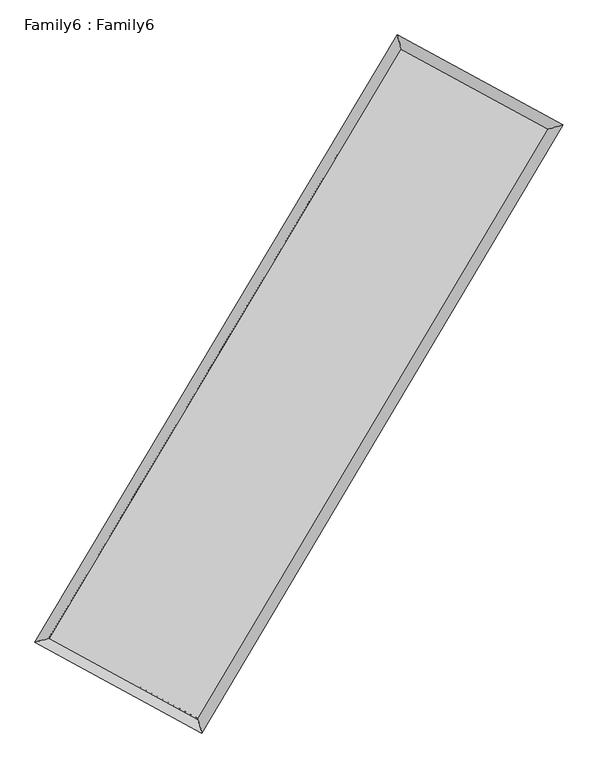
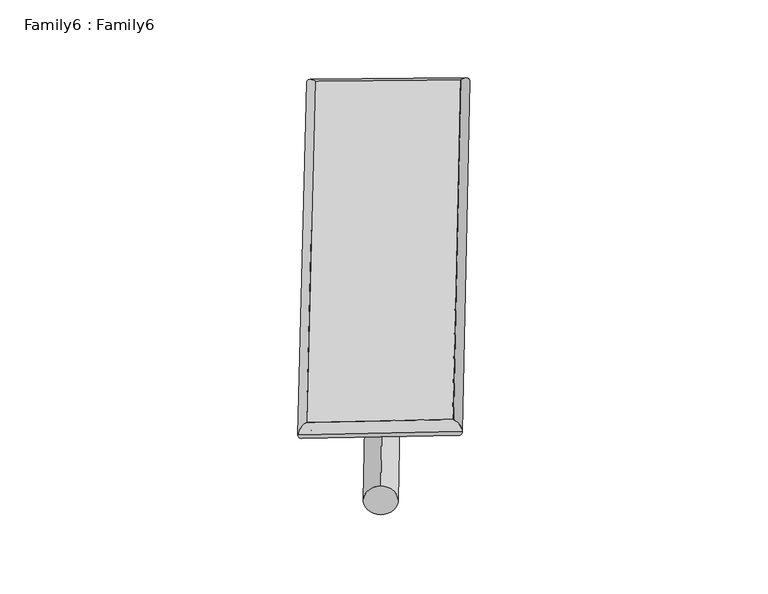
"""IFC4 building model written with IfcOpenShell, lengths in millimetres: plate geometry, Family6 : Family6."""

from ifc_helpers import new_model, si_unit, point, frame, origin, origin_2d, place, context, project, spatial, circle_curve, ellipse_curve, trimmed, segment, composite_curve, outline, extrude, source, transform, mapped, element, save
from ifc_brep_helpers import plane_surface, cylinder_surface, spline_surface, advanced_brep


def family6_family6_7e3fb4be(model_context):
    return source(origin(), model_context, "Body", "SolidModel", [
        extrude(outline(composite_curve([segment(trimmed(circle_curve(origin_2d(), 76.2), [point((-75.4341514, -10.7763074))], [point((75.4341514, 10.7763074))], False, "CARTESIAN"), True, "CONTINUOUS"), segment(trimmed(circle_curve(origin_2d(), 76.2), [point((75.4341514, 10.7763074))], [point((-75.4341514, -10.7763074))], False, "CARTESIAN"), True, "CONTINUOUS")], self_intersect=False)), frame((9144.0, 9144.0, 0.0), z_axis=(0.6736694627600023, 0.6879912781626699, 0.26988415314120584), x_axis=(-0.6797023972737887, 0.7201583127949058, -0.13920005622362128)), (0.0, 0.0, 1.0), 5609.3477952),
        extrude(outline(composite_curve([segment(trimmed(circle_curve(origin_2d(), 76.2), [point((-53.8815368, 53.8815367))], [point((53.8815368, -53.8815367))], False, "CARTESIAN"), True, "CONTINUOUS"), segment(trimmed(circle_curve(origin_2d(), 76.2), [point((53.8815368, -53.8815367))], [point((-53.8815368, 53.8815367))], False, "CARTESIAN"), True, "CONTINUOUS")], self_intersect=False)), frame((9144.0, 9144.0, 0.0), z_axis=(-0.6750712949509815, -0.6866390358278885, 0.26982509373768915), x_axis=(0.6389389928110121, -0.3613000602347069, 0.6791312317513064)), (0.0, 0.0, 1.0), 5611.036158),
        extrude(outline(composite_curve([segment(trimmed(circle_curve(origin_2d(), 76.2), [point((-53.8815367, -53.8815367))], [point((53.8815367, 53.8815367))], False, "CARTESIAN"), True, "CONTINUOUS"), segment(trimmed(circle_curve(origin_2d(), 76.2), [point((53.8815367, 53.8815367))], [point((-53.8815367, -53.8815367))], False, "CARTESIAN"), True, "CONTINUOUS")], self_intersect=False)), frame((9144.0, 9144.0, 0.0), z_axis=(0.27878709577586946, 0.9194615734995778, 0.27725109573550266), x_axis=(-0.8395250139611979, 0.3735239666339063, -0.3945600046678869)), (0.0, 0.0, 1.0), 5521.5456478),
        extrude(outline(composite_curve([segment(trimmed(circle_curve(origin_2d(), 76.2), [point((-75.4341515, 10.7763073))], [point((75.4341515, -10.7763073))], False, "CARTESIAN"), True, "CONTINUOUS"), segment(trimmed(circle_curve(origin_2d(), 76.2), [point((75.4341515, -10.7763073))], [point((-75.4341515, 10.7763073))], False, "CARTESIAN"), True, "CONTINUOUS")], self_intersect=False)), frame((9144.0, 9144.0, 0.0), z_axis=(-0.27686291826319176, -0.9200690902496798, 0.27716383901569136), x_axis=(0.8773897056016425, -0.12443620339803999, 0.4633604814700374)), (0.0, 0.0, 1.0), 5523.3521467),
        advanced_brep(
        [(5144.0595851, 5233.1766451, 1515.3432724), (5568.2518077, 5349.3244942, 1515.693826), (5568.2415245, 5349.3104399, 1512.6534422), (10739.1833905, 14017.0157886, 1529.0152826), (10627.4879602, 14424.6823104, 1532.6938794), (5144.049302, 5233.1625908, 1512.3028886), (12711.0092653, 12944.8946548, 1514.0644305), (13134.6833659, 13061.4700637, 1513.6837283), (7558.6844669, 4266.1677896, 1530.5650913), (7670.8927453, 3858.101041, 1531.1818791)],
        [
            (0, 1, ellipse_curve(frame((5356.1505548, 5291.2435425, 1513.9983573), z_axis=(-0.2640843722196026, 0.9644929929439877, -0.003565236503697351), x_axis=(-0.9644782445274515, -0.26410131364138795, -0.005675558663134362)), 219.9168698, 152.4)),
            (1, 2, ellipse_curve(frame((5356.1505548, 5291.2435425, 1513.9983573), z_axis=(-0.2640843722196026, 0.9644929929439877, -0.003565236503697351), x_axis=(-0.9644782445274515, -0.26410131364138795, -0.005675558663134362)), 219.9168698, 152.4)),
            (2, 3),
            (3, 4, ellipse_curve(frame((10683.3356754, 14220.8490495, 1530.854581), z_axis=(-0.9644407586192446, -0.26427600954643216, 0.0034948379290405183), x_axis=(0.26425275782181007, -0.9644349424515523, -0.005976768528135645)), 211.3543352, 152.4)),
            (4, 0),
            (2, 5, ellipse_curve(frame((5356.1505548, 5291.2435425, 1513.9983573), z_axis=(-0.2640843722196026, 0.9644929929439877, -0.003565236503697351), x_axis=(-0.9644782445274515, -0.26410131364138795, -0.005675558663134362)), 219.9168698, 152.4)),
            (5, 0, ellipse_curve(frame((5356.1505548, 5291.2435425, 1513.9983573), z_axis=(-0.2640843722196026, 0.9644929929439877, -0.003565236503697351), x_axis=(-0.9644782445274515, -0.26410131364138795, -0.005675558663134362)), 219.9168698, 152.4)),
            (4, 3, ellipse_curve(frame((10683.3356754, 14220.8490495, 1530.854581), z_axis=(-0.9644407586192446, -0.26427600954643216, 0.0034948379290405183), x_axis=(0.26425275782181007, -0.9644349424515523, -0.005976768528135645)), 211.3543352, 152.4)),
            (3, 6),
            (6, 7, ellipse_curve(frame((12922.8463156, 13003.1823593, 1513.8740794), z_axis=(-0.26528930095597725, 0.9641620505647073, 0.003623126984808195), x_axis=(-0.9641468576555808, -0.26530675982527346, 0.005758477566493128)), 219.7127091, 152.4)),
            (7, 4),
            (7, 6, ellipse_curve(frame((12922.8463156, 13003.1823593, 1513.8740794), z_axis=(-0.26528930095597725, 0.9641620505647073, 0.003623126984808195), x_axis=(-0.9641468576555808, -0.26530675982527346, 0.005758477566493128)), 219.7127091, 152.4)),
            (6, 8),
            (8, 9, ellipse_curve(frame((7614.7886061, 4062.1344153, 1530.8734852), z_axis=(0.9642045163316129, 0.2651376010810861, 0.003420990892680454), x_axis=(-0.2651150381037152, 0.9641986902181862, -0.0059078213243097194)), 211.6086255, 152.4)),
            (9, 7),
            (9, 8, ellipse_curve(frame((7614.7886061, 4062.1344153, 1530.8734852), z_axis=(0.9642045163316129, 0.2651376010810861, 0.003420990892680454), x_axis=(-0.2651150381037152, 0.9641986902181862, -0.0059078213243097194)), 211.6086255, 152.4)),
            (8, 1),
            (5, 9),
        ],
        [
            cylinder_surface(frame((5356.1505548, 5291.2435425, 1513.9983573), z_axis=(-0.5123310949593, -0.8587864816887574, -0.0016211127200107091), x_axis=(-0.8587488972550364, 0.5122888312827792, 0.010511175299809598)), 152.4),
            cylinder_surface(frame((10683.3356754, 14220.8490495, 1530.854581), z_axis=(-0.8785159057710886, 0.47766665451670365, 0.006661116274613502), x_axis=(0.4777027495452844, 0.8785032462291146, 0.005668283848132179)), 152.4),
            cylinder_surface(frame((12922.8463156, 13003.1823593, 1513.8740794), z_axis=(0.5104890435341747, 0.8598827034052744, -0.0016348749188563026), x_axis=(0.8598841404937506, -0.5104890435341747, 0.00044873030546330607)), 152.4),
            cylinder_surface(frame((7614.7886061, 4062.1344153, 1530.8734852), z_axis=(0.8783462930237442, -0.4779798361250247, 0.006562452997284828), x_axis=(-0.4779609389423389, -0.8783705758976111, -0.004297934696668011)), 152.4),
        ],
        [
            (0, [[1, 2, 3, 4, 5]]),
            (0, [[6, 7, -5, 8, -3]]),
            (1, [[-4, 9, 10, 11]]),
            (1, [[-8, -11, 12, -9]]),
            (2, [[-10, 13, 14, 15]]),
            (2, [[-12, -15, 16, -13]]),
            (3, [[-14, 17, -1, -7, 18]]),
            (3, [[-16, -18, -6, -2, -17]]),
        ],
    ),
        extrude(outline(composite_curve([segment(trimmed(circle_curve(origin_2d(), 304.8), [point((0.0, -304.8))], [point((0.0, 304.8))], False, "CARTESIAN"), True, "CONTINUOUS"), segment(trimmed(circle_curve(origin_2d(), 304.8), [point((0.0, 304.8))], [point((0.0, -304.8))], False, "CARTESIAN"), True, "CONTINUOUS")], self_intersect=False)), frame((6482.53475, 4650.4104364, -0.0008839), z_axis=(0.5096036075037109, 0.8604092998214136, 1.692428263478987e-07), x_axis=(-0.8604092998214291, 0.5096036075037109, 4.635902156546538e-08)), (0.0, 0.0, 1.0), 10445.2370855),
        advanced_brep(
        [(5356.1505548, 5291.2435425, 1513.9983573), (7614.7886061, 4062.1344153, 1530.8734852), (7614.7880354, 4062.1359886, 1683.2734852), (5356.1499841, 5291.2451158, 1666.3983573), (12922.8463156, 13003.1823593, 1513.8740794), (12922.845745, 13003.1839326, 1666.2740794), (10683.3356754, 14220.8490495, 1530.854581), (10683.3351047, 14220.8506229, 1683.254581)],
        [
            (0, 1),
            (1, 2),
            (2, 3),
            (3, 0),
            (1, 4),
            (4, 5),
            (5, 2),
            (4, 6),
            (6, 7),
            (7, 5),
            (6, 0),
            (3, 7),
        ],
        [
            plane_surface(frame((6485.4695805, 4676.6889789, 1522.4359212), z_axis=(-0.47799017068825334, -0.8783651841190215, 7.2781742215346536e-06), x_axis=(0.8783462930237438, -0.4779798361250253, 0.00656245299728483))),
            plane_surface(frame((10268.8174609, 8532.6583873, 1522.3737823), z_axis=(0.8598838596164482, -0.5104897138033623, 8.490102298907946e-06), x_axis=(0.5104890435341748, 0.8598827034052745, -0.0016348749188563022))),
            plane_surface(frame((11803.0909955, 13612.0157044, 1522.3643302), z_axis=(0.47767720939353653, 0.8785354196462369, -7.281103616400223e-06), x_axis=(-0.8785159057710886, 0.47766665451670387, 0.006661116274613506))),
            plane_surface(frame((8019.7431151, 9756.046296, 1522.4264692), z_axis=(-0.8587876030442999, 0.5123317799874326, -8.50501435841367e-06), x_axis=(-0.5123310949592998, -0.8587864816887572, -0.0016211127200107063))),
            spline_surface(1, 1, [[(7614.7880354, 4062.1359886, 1683.2734852), (5356.1499841, 5291.2451158, 1666.3983573)], [(12922.845745, 13003.1839326, 1666.2740794), (10683.3351047, 14220.8506229, 1683.254581)]], [2, 2], [2, 2], [0.0, 1.0], [0.0, 1.0]),
            spline_surface(1, 1, [[(10683.3356754, 14220.8490495, 1530.854581), (5356.1505548, 5291.2435425, 1513.9983573)], [(12922.8463156, 13003.1823593, 1513.8740794), (7614.7886061, 4062.1344153, 1530.8734852)]], [2, 2], [2, 2], [0.0, 1.0], [0.0, 1.0]),
        ],
        [
            (0, [[1, 2, 3, 4]]),
            (1, [[5, 6, 7, -2]]),
            (2, [[8, 9, 10, -6]]),
            (3, [[11, -4, 12, -9]]),
            (4, [[-3, -7, -10, -12]]),
            (5, [[-11, -8, -5, -1]]),
        ],
    ),
    ])


if __name__ == "__main__":
    model = new_model("IFC4")
    model_context = context("Model", 3, world=origin())
    ifc_project = project(units=[si_unit("LENGTHUNIT", "METRE", prefix="MILLI")], contexts=[model_context])
    site = spatial("IfcSite", under=ifc_project)
    building = spatial("IfcBuilding", under=site)
    placement = place(None, origin())
    family6_family6_shape = family6_family6_7e3fb4be(model_context)
    element("IfcPlate", 1, ObjectType="Family6 : Family6", at=placement, inside=building, context=model_context, shape_type="MappedRepresentation", body=[
        mapped(family6_family6_shape, transform((0.0, 0.0, 0.0), x_axis=(1.0, 0.0, 0.0), y_axis=(0.0, 1.0, 0.0), z_axis=(0.0, 0.0, 1.0))),
    ])
    save(model, "model.ifc")
